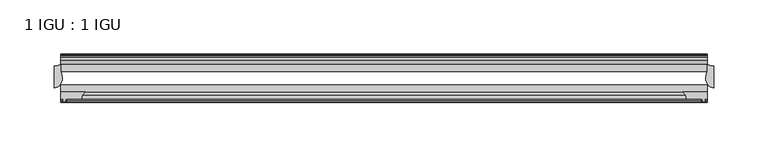
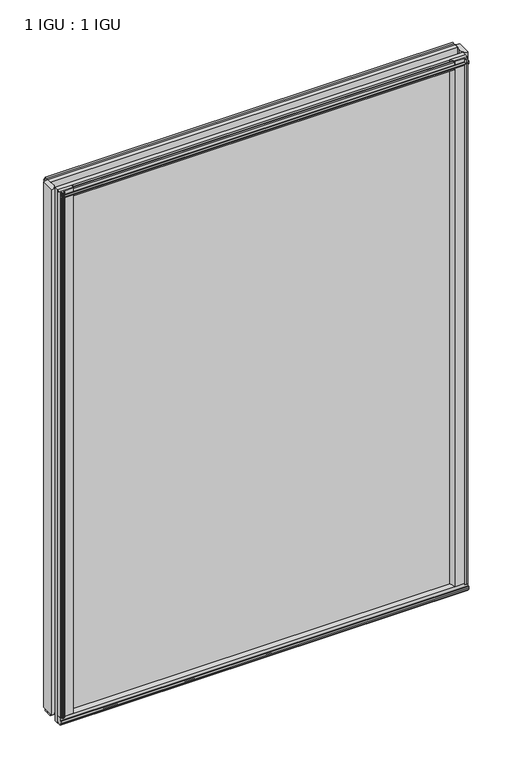
"""IFC4 building model written with IfcOpenShell, lengths in millimetres: plate geometry, 1 IGU : 1 IGU."""

from ifc_helpers import new_model, si_unit, point, frame, frame_2d, origin, origin_with_axes, place, context, project, spatial, polyline, circle_curve, ellipse_curve, trimmed, segment, composite_curve, outline, extrude, source, transform, mapped, element, save
from ifc_brep_helpers import plane_surface, cylinder_surface, revolved_surface, extruded_surface, advanced_brep


def plate_1_igu_1_igu_5304a3ac(model_context):
    return source(origin(), model_context, "Body", "SolidModel", [
        extrude(outline(composite_curve([segment(polyline([(275.9114314, -44.9460938), (298.45, -44.9460938), (298.45, -51.2960938), (296.545, -51.2960938), (296.2275, -53.4006957), (297.4334059, -53.0775742), (297.4334059, -53.8927506), (295.275, -54.4710938), (293.1165941, -53.8927506), (293.1165941, -53.0775742), (294.3225, -53.4006957), (294.005, -51.2960938), (279.4, -51.2960938)]), True, "CONTINUOUS"), segment(trimmed(circle_curve(frame_2d((271.9615021, -51.2493858)), 7.4386445), [point((279.4, -51.2960938))], [point((275.9114314, -44.9460938))], True, "CARTESIAN"), True, "CONTINUOUS")], self_intersect=False)), origin_with_axes(), (0.0, 0.0, 1.0), 812.7872998),
        extrude(outline(composite_curve([segment(trimmed(circle_curve(frame_2d((-271.9615021, -51.2493858)), 7.4386445), [point((-275.9114314, -44.9460937))], [point((-279.4, -51.2960937))], True, "CARTESIAN"), True, "CONTINUOUS"), segment(polyline([(-279.4, -51.2960937), (-294.005, -51.2960937), (-294.3225, -53.4006957), (-293.1165941, -53.0775742), (-293.1165941, -53.8927506), (-295.275, -54.4710937), (-297.4334059, -53.8927506), (-297.4334059, -53.0775742), (-296.2275, -53.4006957), (-296.545, -51.2960937), (-298.45, -51.2960937), (-298.45, -44.9460937), (-275.9114314, -44.9460937)]), True, "CONTINUOUS")], self_intersect=False)), origin_with_axes(), (0.0, 0.0, 1.0), 812.7872998),
        extrude(outline(polyline([(-16.1419073, -12.4576852), (-19.5460937, -10.2446077), (-19.5460937, 1.5857863), (-13.1960937, -0.5194908), (-13.1960937, -5.7266852), (-10.8158968, -6.1076852), (-11.27583, -4.6921562), (-10.4746158, -4.6921562), (-9.7670937, -6.8696852), (-10.4746158, -9.0472143), (-11.27583, -9.0472143), (-10.8158968, -7.6316852), (-13.1960937, -8.0126852), (-13.1960937, -12.4576852), (-16.1419073, -12.4576852)])), frame((-298.45, 0.0, 0.0), z_axis=(1.0, 0.0, 0.0), x_axis=(0.0, 1.0, 0.0)), (0.0, 0.0, 1.0), 596.9),
        extrude(outline(polyline([(-48.3502802, -11.938), (-51.2960937, -11.938), (-51.2960937, -7.493), (-53.6762907, -7.112), (-53.2163575, -8.5275291), (-54.0175717, -8.5275291), (-54.7250937, -6.35), (-54.0175717, -4.172471), (-53.2163575, -4.172471), (-53.6762907, -5.588), (-51.2960937, -5.207), (-51.2960937, 0.0001944), (-44.9460937, 2.1054715), (-44.9460937, -9.7249225), (-48.3502802, -11.938)])), frame((-298.45, 0.0, 0.0), z_axis=(1.0, 0.0, 0.0), x_axis=(0.0, 1.0, 0.0)), (0.0, 0.0, 1.0), 596.9),
        extrude(outline(polyline([(-16.1028367, 812.5576852), (-13.1960937, 812.5576852), (-13.1960937, 808.1126852), (-10.8158968, 807.7316852), (-11.27583, 809.1472143), (-10.4746158, 809.1472143), (-9.7670937, 806.9696852), (-10.4746158, 804.7921562), (-11.27583, 804.7921562), (-10.8158968, 806.2076852), (-13.1960937, 805.8266852), (-13.1960937, 800.5940908), (-19.5460937, 798.4888137), (-19.5460937, 810.3192077), (-16.1028367, 812.5576852)])), frame((-298.45, 0.0, 0.0), z_axis=(1.0, 0.0, 0.0), x_axis=(0.0, 1.0, 0.0)), (0.0, 0.0, 1.0), 596.9),
        extrude(outline(polyline([(-48.3893508, 812.0126), (-44.9460937, 809.7741225), (-44.9460937, 797.9437285), (-51.2960937, 800.0490056), (-51.2960937, 805.2816), (-53.6762907, 805.6626), (-53.2163575, 804.247071), (-54.0175717, 804.247071), (-54.7250938, 806.4246), (-54.0175717, 808.6021291), (-53.2163575, 808.6021291), (-53.6762907, 807.1866), (-51.2960937, 807.5676), (-51.2960937, 812.0126), (-48.3893508, 812.0126)])), frame((-298.45, 0.0, 0.0), z_axis=(1.0, 0.0, 0.0), x_axis=(0.0, 1.0, 0.0)), (0.0, 0.0, 1.0), 596.9),
        advanced_brep(
        [(-304.8, -41.2564987, 812.7872998), (-297.2776628, -32.2460937, 812.7872998), (-298.45, -25.8452937, 812.7872998), (-298.45, -19.5460937, 812.7872998), (-304.8, -20.7775816, 812.7872998), (-304.8, -41.2564987, 0.0), (-304.8, -20.7775816, 0.0), (-298.45, -19.5460937, 0.0), (-298.45, -25.8452937, 0.0), (-297.2776628, -32.2460937, 0.0)],
        [
            (0, 1, ellipse_curve(frame((-304.8, -32.2460937, 812.7872998), z_axis=(0.0, 0.0, 1.0), x_axis=(0.0, 1.0, 0.0)), 9.010405, 7.5223372)),
            (1, 2, circle_curve(frame((-315.3375763, -32.2460937, 812.7872998), z_axis=(0.0, 0.0, 1.0), x_axis=(0.0, 1.0, 0.0)), 18.0599135)),
            (2, 3),
            (3, 4, circle_curve(frame((-304.8, -3.7903806, 812.7872998), z_axis=(0.0, 0.0, -1.0), x_axis=(0.0, 1.0, 0.0)), 16.987201)),
            (4, 0),
            (5, 6),
            (6, 7, circle_curve(frame((-304.8, -3.7903806, 0.0), z_axis=(0.0, 0.0, 1.0), x_axis=(0.0, 1.0, 0.0)), 16.987201)),
            (7, 8),
            (8, 9, circle_curve(frame((-315.3375763, -32.2460937, 0.0), z_axis=(0.0, 0.0, -1.0), x_axis=(0.0, 1.0, 0.0)), 18.0599135)),
            (9, 5, ellipse_curve(frame((-304.8, -32.2460937, 0.0), z_axis=(0.0, 0.0, -1.0), x_axis=(0.0, 1.0, 0.0)), 9.010405, 7.5223372)),
            (0, 5),
            (9, 1),
            (4, 6),
            (8, 2),
            (7, 3),
        ],
        [
            plane_surface(frame((-279.4, -13.1960937, 812.7872998), z_axis=(0.0, 0.0, 1.0), x_axis=(0.0, 1.0, 0.0))),
            plane_surface(frame((-279.4, -13.1960937, 0.0), z_axis=(0.0, 0.0, -1.0), x_axis=(0.0, 1.0, 0.0))),
            extruded_surface(trimmed(ellipse_curve(frame((-304.8, -32.2460937, 0.0), z_axis=(0.0, 0.0, 1.0), x_axis=(0.0, 1.0, 0.0)), 9.010405, 7.5223372), [point((-304.8, -41.2564987, 0.0))], [point((-297.2776628, -32.2460937, 0.0))], True, "CARTESIAN"), (0.0, 0.0, 812.7872998), 812.7872998),
            plane_surface(frame((-304.8, -20.7775816, 812.7872998), z_axis=(-1.0, 0.0, 0.0), x_axis=(0.0, 0.0, -1.0))),
            cylinder_surface(frame((-315.3375763, -32.2460937, 812.7872998), z_axis=(0.0, 0.0, 1.0), x_axis=(0.0, 1.0, 0.0)), 18.0599135),
            plane_surface(frame((-298.45, -25.8452937, 812.7872998), z_axis=(1.0, 0.0, 0.0), x_axis=(0.0, 0.0, -1.0))),
            revolved_surface(polyline([(-304.8, 13.196820399999998, 0.0), (-304.8, 13.196820399999998, 812.7872998)]), (-304.8, -3.7903806, 812.7872998), (0.0, 0.0, -1.0)),
        ],
        [
            (0, [[1, 2, 3, 4, 5]]),
            (1, [[6, 7, 8, 9, 10]]),
            (2, [[-1, 11, -10, 12]]),
            (3, [[-5, 13, -6, -11]]),
            (4, [[-2, -12, -9, 14]]),
            (5, [[-3, -14, -8, 15]]),
            (6, [[-4, -15, -7, -13]]),
        ],
    ),
        advanced_brep(
        [(304.8, -41.2564987, 812.7872998), (304.8, -20.7775816, 812.7872998), (298.45, -19.5460938, 812.7872998), (298.45, -25.8452938, 812.7872998), (297.2776628, -32.2460938, 812.7872998), (304.8, -41.2564987, 0.0), (297.2776628, -32.2460938, 0.0), (298.45, -25.8452938, 0.0), (298.45, -19.5460938, 0.0), (304.8, -20.7775816, 0.0)],
        [
            (0, 1),
            (1, 2, circle_curve(frame((304.8, -3.7903806, 812.7872998), z_axis=(0.0, 0.0, -1.0), x_axis=(0.0, 1.0, 0.0)), 16.987201)),
            (2, 3),
            (3, 4, circle_curve(frame((315.3375763, -32.2460938, 812.7872998), z_axis=(0.0, 0.0, 1.0), x_axis=(0.0, 1.0, 0.0)), 18.0599135)),
            (4, 0, ellipse_curve(frame((304.8, -32.2460938, 812.7872998), z_axis=(0.0, 0.0, 1.0), x_axis=(0.0, 1.0, 0.0)), 9.010405, 7.5223372)),
            (5, 6, ellipse_curve(frame((304.8, -32.2460938, 0.0), z_axis=(0.0, 0.0, -1.0), x_axis=(0.0, 1.0, 0.0)), 9.010405, 7.5223372)),
            (6, 7, circle_curve(frame((315.3375763, -32.2460938, 0.0), z_axis=(0.0, 0.0, -1.0), x_axis=(0.0, 1.0, 0.0)), 18.0599135)),
            (7, 8),
            (8, 9, circle_curve(frame((304.8, -3.7903806, 0.0), z_axis=(0.0, 0.0, 1.0), x_axis=(0.0, 1.0, 0.0)), 16.987201)),
            (9, 5),
            (0, 5),
            (9, 1),
            (4, 6),
            (8, 2),
            (7, 3),
        ],
        [
            plane_surface(frame((279.4, -13.1960938, 812.7872998), z_axis=(0.0, 0.0, 1.0), x_axis=(0.0, 1.0, 0.0))),
            plane_surface(frame((279.4, -13.1960938, 0.0), z_axis=(0.0, 0.0, -1.0), x_axis=(0.0, 1.0, 0.0))),
            plane_surface(frame((304.8, -41.2564987, 812.7872998), z_axis=(1.0, 0.0, 0.0), x_axis=(0.0, 0.0, -1.0))),
            extruded_surface(trimmed(ellipse_curve(frame((304.8, -32.2460938, 0.0), z_axis=(0.0, 0.0, 1.0), x_axis=(0.0, 1.0, 0.0)), 9.010405, 7.5223372), [point((297.2776628, -32.2460938, 0.0))], [point((304.8, -41.2564987, 0.0))], True, "CARTESIAN"), (0.0, 0.0, 812.7872998), 812.7872998),
            revolved_surface(polyline([(304.8, 13.196820399999998, 0.0), (304.8, 13.196820399999998, 812.7872998)]), (304.8, -3.7903806, 812.7872998), (0.0, 0.0, -1.0)),
            plane_surface(frame((298.45, -19.5460938, 812.7872998), z_axis=(-1.0, 0.0, 0.0), x_axis=(0.0, 0.0, -1.0))),
            cylinder_surface(frame((315.3375763, -32.2460938, 812.7872998), z_axis=(0.0, 0.0, 1.0), x_axis=(0.0, 1.0, 0.0)), 18.0599135),
        ],
        [
            (0, [[1, 2, 3, 4, 5]]),
            (1, [[6, 7, 8, 9, 10]]),
            (2, [[-1, 11, -10, 12]]),
            (3, [[-5, 13, -6, -11]]),
            (4, [[-2, -12, -9, 14]]),
            (5, [[-3, -14, -8, 15]]),
            (6, [[-4, -15, -7, -13]]),
        ],
    ),
        extrude(outline(polyline([(298.45, -19.5460937), (298.45, -25.8337453), (-298.45, -25.8337453), (-298.45, -19.5460937), (298.45, -19.5460937)])), frame((0.0, 0.0, -12.7), z_axis=(0.0, 0.0, 1.0), x_axis=(1.0, 0.0, 0.0)), (0.0, 0.0, 1.0), 825.4872998),
        extrude(outline(polyline([(-298.45, -44.9460937), (-298.45, -38.6468938), (298.45, -38.6468938), (298.45, -44.9460937), (-298.45, -44.9460937)])), frame((0.0, 0.0, -12.7), z_axis=(0.0, 0.0, 1.0), x_axis=(1.0, 0.0, 0.0)), (0.0, 0.0, 1.0), 825.4872998),
    ])


if __name__ == "__main__":
    model = new_model("IFC4")
    model_context = context("Model", 3, world=origin())
    ifc_project = project(units=[si_unit("LENGTHUNIT", "METRE", prefix="MILLI")], contexts=[model_context])
    site = spatial("IfcSite", under=ifc_project)
    building = spatial("IfcBuilding", under=site)
    placement = place(None, origin())
    plate_1_igu_1_igu_shape = plate_1_igu_1_igu_5304a3ac(model_context)
    element("IfcPlate", 1, ObjectType="1 IGU : 1 IGU", at=placement, inside=building, context=model_context, shape_type="MappedRepresentation", body=[
        mapped(plate_1_igu_1_igu_shape, transform((0.0, 0.0, 0.0), x_axis=(1.0, 0.0, 0.0), y_axis=(0.0, 1.0, 0.0), z_axis=(0.0, 0.0, 1.0))),
    ])
    save(model, "model.ifc")
